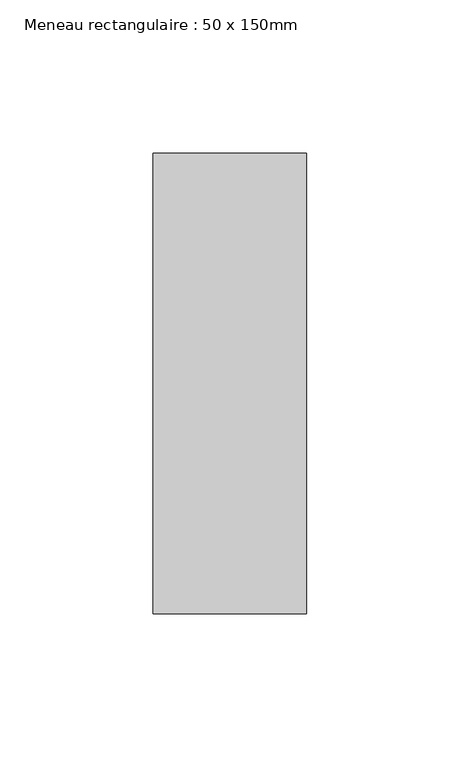
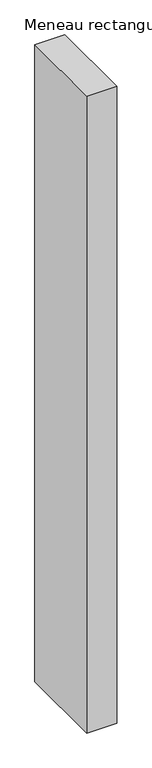
"""IFC4 building model written with IfcOpenShell, lengths in millimetres: member geometry, Meneau rectangulaire : 50 x 150mm."""

from ifc_helpers import new_model, si_unit, frame, origin, place, context, project, spatial, polyline, outline, extrude, source, transform, mapped, element, save


def meneau_rectangulaire_50_x_150mm_1cba8e86(model_context):
    return source(origin(), model_context, "Body", "SweptSolid", [
        extrude(outline(polyline([(25.0, 75.0), (25.0, -75.0), (-25.0, -75.0), (-25.0, 75.0), (25.0, 75.0)])), frame((0.0, 0.0, -1125.0180004), z_axis=(0.0, 0.0, 1.0), x_axis=(1.0, 0.0, 0.0)), (0.0, 0.0, 1.0), 1125.0180004),
    ])


if __name__ == "__main__":
    model = new_model("IFC4")
    model_context = context("Model", 3, world=origin())
    ifc_project = project(units=[si_unit("LENGTHUNIT", "METRE", prefix="MILLI")], contexts=[model_context])
    site = spatial("IfcSite", under=ifc_project)
    building = spatial("IfcBuilding", under=site)
    placement = place(None, origin())
    meneau_rectangulaire_50_x_150mm_shape = meneau_rectangulaire_50_x_150mm_1cba8e86(model_context)
    element("IfcMember", 1, ObjectType="Meneau rectangulaire : 50 x 150mm", at=placement, inside=building, context=model_context, shape_type="MappedRepresentation", body=[
        mapped(meneau_rectangulaire_50_x_150mm_shape, transform((0.0, 0.0, 0.0), x_axis=(1.0, 0.0, 0.0), y_axis=(0.0, 1.0, 0.0), z_axis=(0.0, 0.0, 1.0))),
    ])
    save(model, "model.ifc")
